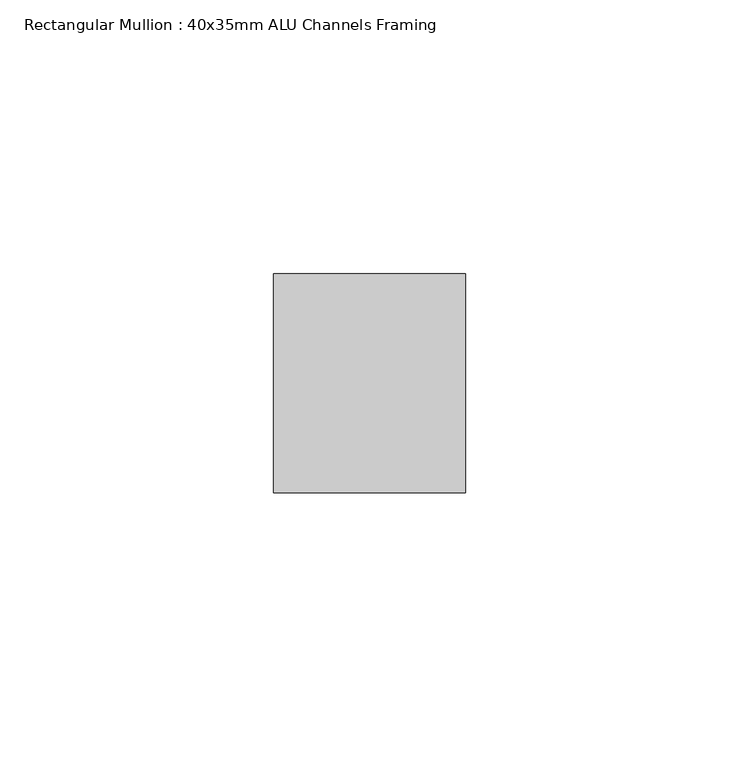
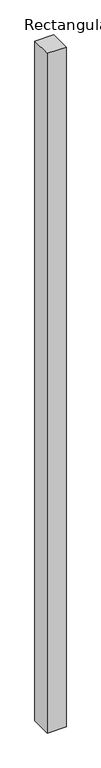
"""IFC4 building model written with IfcOpenShell, lengths in millimetres: member geometry, Rectangular Mullion : 40x35mm ALU Channels Framing."""

import ifcopenshell
import ifcopenshell.guid

model = None  # the IFC model being written
_history = None  # IfcOwnerHistory: only IFC2X3 demands one
_inside = {}  # id of a spatial element -> (the spatial element, [elements in it])
_under = {}  # id of a project, library or spatial element -> (it, [spatial elements below it])
_declared = {}  # id of a project -> (the project, [libraries it declares])
_typed = {}  # id of a type object -> (the type object, [elements of that type])
_made_of = {}  # id of a material, layer set ... -> (it, [elements and type objects made of it])


def new_model(schema):
    """Start an empty IFC model of exactly this schema.

    Asked for "IFC4X3", IfcOpenShell would pick the latest addendum, in which some entities
    have other attributes; the version numbers below select the first issue.
    IFC2X3 requires an IfcOwnerHistory on every rooted entity: one is made here for all.
    """
    global model, _history
    if schema == "IFC4X3":
        model = ifcopenshell.file(schema_version=(4, 3, 0, 0))
    else:
        model = ifcopenshell.file(schema=schema)
    _inside.clear()
    _under.clear()
    _declared.clear()
    _typed.clear()
    _made_of.clear()
    _history = None
    if model.schema == "IFC2X3":
        org = make("IfcOrganization", Name="unknown")
        user = make(
            "IfcPersonAndOrganization",
            ThePerson=make("IfcPerson", FamilyName="unknown"),
            TheOrganization=org,
        )
        app = make(
            "IfcApplication",
            ApplicationDeveloper=org,
            Version="unknown",
            ApplicationFullName="unknown",
            ApplicationIdentifier="unknown",
        )
        _history = make(
            "IfcOwnerHistory",
            OwningUser=user,
            OwningApplication=app,
            ChangeAction="ADDED",
            CreationDate=0,
        )
    return model


def make(cls, **values):
    """One entity of the class cls with the attributes given. An attribute that is None is left unset."""
    return model.create_entity(
        cls, **{name: value for name, value in values.items() if value is not None}
    )


def rooted(cls, **values):
    """An entity with a GlobalId (a new one), such as an element, a storey or a relation."""
    return make(cls, GlobalId=ifcopenshell.guid.new(), OwnerHistory=_history, **values)


def si_unit(unit_type, name, prefix=None):
    """IfcSIUnit, for example si_unit("LENGTHUNIT", "METRE", prefix="MILLI")."""
    return make("IfcSIUnit", UnitType=unit_type, Prefix=prefix, Name=name)


def assignment(units):
    """IfcUnitAssignment: the units of a project."""
    return None if units is None else make("IfcUnitAssignment", Units=units)


def point(xyz):
    """IfcCartesianPoint."""
    return None if xyz is None else make("IfcCartesianPoint", Coordinates=xyz)


def direction(xyz):
    """IfcDirection."""
    return None if xyz is None else make("IfcDirection", DirectionRatios=xyz)


def frame(location, z_axis=None, x_axis=None):
    """IfcAxis2Placement3D, a coordinate frame: its origin and axes. An axis left out is left unset."""
    return make(
        "IfcAxis2Placement3D",
        Location=point(location),
        Axis=direction(z_axis),
        RefDirection=direction(x_axis),
    )


def origin():
    """The frame at (0, 0, 0) with its axes left unset."""
    return frame((0.0, 0.0, 0.0))


def place(relative_to, where):
    """IfcLocalPlacement: puts the frame where relative to a parent placement (None: the world)."""
    return make(
        "IfcLocalPlacement", PlacementRelTo=relative_to, RelativePlacement=where
    )


def context(
    kind, dimensions, precision=None, world=None, true_north=None, identifier=None
):
    """IfcGeometricRepresentationContext, for example the 3D "Model" context."""
    return make(
        "IfcGeometricRepresentationContext",
        ContextIdentifier=identifier,
        ContextType=kind,
        CoordinateSpaceDimension=dimensions,
        Precision=precision,
        WorldCoordinateSystem=world,
        TrueNorth=true_north,
    )


def project(units=None, contexts=None):
    """IfcProject with its units and contexts."""
    return rooted(
        "IfcProject",
        Name="project",
        RepresentationContexts=contexts,
        UnitsInContext=assignment(units),
    )


def spatial(cls, under=None, at=None, **own):
    """A site, building, storey or space (cls), placed at a placement, below another one or the project."""
    s = rooted(cls, ObjectPlacement=at, **own)
    if under is not None:
        _under.setdefault(under.id(), (under, []))[1].append(s)
    return s


def polyline(points):
    """IfcPolyline through the points."""
    return make("IfcPolyline", Points=[point(p) for p in points])


def outline(outer, holes=None, kind="AREA"):
    """IfcArbitraryClosedProfileDef: a profile drawn as a closed curve; with holes, ...WithVoids."""
    if holes is None:
        return make("IfcArbitraryClosedProfileDef", ProfileType=kind, OuterCurve=outer)
    return make(
        "IfcArbitraryProfileDefWithVoids",
        ProfileType=kind,
        OuterCurve=outer,
        InnerCurves=holes,
    )


def extrude(swept, where, along, depth):
    """IfcExtrudedAreaSolid: the profile swept, set in the frame where, extruded along a direction by depth."""
    return make(
        "IfcExtrudedAreaSolid",
        SweptArea=swept,
        Position=where,
        ExtrudedDirection=direction(along),
        Depth=depth,
    )


def shape(context_of_items, identifier, shape_type, items):
    """IfcShapeRepresentation: the items that make up one representation, for example the "Body"."""
    return make(
        "IfcShapeRepresentation",
        ContextOfItems=context_of_items,
        RepresentationIdentifier=identifier,
        RepresentationType=shape_type,
        Items=items,
    )


def source(mapping_origin, context_of_items, identifier, shape_type, items):
    """IfcRepresentationMap: a shape defined once, which mapped items show again and again."""
    return make(
        "IfcRepresentationMap",
        MappingOrigin=mapping_origin,
        MappedRepresentation=shape(context_of_items, identifier, shape_type, items),
    )


def transform(
    local_origin,
    x_axis=None,
    y_axis=None,
    z_axis=None,
    scale=None,
    scale2=None,
    scale3=None,
    uniform=True,
):
    """IfcCartesianTransformationOperator3D, or its non-uniform kind. x_axis, y_axis, z_axis: its Axis1, 2, 3."""
    if uniform:
        return make(
            "IfcCartesianTransformationOperator3D",
            Axis1=direction(x_axis),
            Axis2=direction(y_axis),
            LocalOrigin=point(local_origin),
            Scale=scale,
            Axis3=direction(z_axis),
        )
    return make(
        "IfcCartesianTransformationOperator3DnonUniform",
        Axis1=direction(x_axis),
        Axis2=direction(y_axis),
        LocalOrigin=point(local_origin),
        Scale=scale,
        Axis3=direction(z_axis),
        Scale2=scale2,
        Scale3=scale3,
    )


def mapped(mapping_source, mapping_target):
    """IfcMappedItem: shows the shape of a source again, moved by a transform."""
    return make(
        "IfcMappedItem", MappingSource=mapping_source, MappingTarget=mapping_target
    )


def made_of(thing, what):
    """Note that an element or type object is made of a material, layer set ...; save() writes the relation."""
    if what is not None:
        _made_of.setdefault(what.id(), (what, []))[1].append(thing)
    return thing


def element(
    cls,
    number,
    at=None,
    inside=None,
    cuts=None,
    type_object=None,
    material=None,
    context=None,
    identifier="Body",
    shape_type=None,
    held_by="IfcProductDefinitionShape",
    body=None,
    shapes=None,
    **own,
):
    """One element of the class cls, such as IfcWall. Its Tag is "e" and its number.

    at: its placement. inside: the storey or other place that contains it. cuts: it is an
    opening in that element (IfcRelVoidsElement). A single representation is given by context,
    identifier, shape_type and body (its items); several are given by shapes. held_by: the class
    of the entity that holds the representations. save() writes the other relations.
    """
    e = rooted(cls, Tag="e%d" % number, ObjectPlacement=at, **own)
    if body is not None:
        shapes = [shape(context, identifier, shape_type, body)]
    if shapes is not None:
        e.Representation = make(held_by, Representations=shapes)
    if inside is not None:
        _inside.setdefault(inside.id(), (inside, []))[1].append(e)
    if cuts is not None:
        rooted(
            "IfcRelVoidsElement", RelatingBuildingElement=cuts, RelatedOpeningElement=e
        )
    if type_object is not None:
        _typed.setdefault(type_object.id(), (type_object, []))[1].append(e)
    return made_of(e, material)


def aggregate(whole, parts):
    """IfcRelAggregates: a whole, such as a stair, and the parts it consists of."""
    return rooted("IfcRelAggregates", RelatingObject=whole, RelatedObjects=parts)


def save(model, path):
    """Write the relations noted so far, then the file.

    IfcRelAggregates (storeys below a building ...), IfcRelContainedInSpatialStructure (elements
    in a storey), IfcRelDefinesByType, IfcRelAssociatesMaterial and IfcRelDeclares: one each for
    every whole, place, type object, material and project.
    """
    for whole, parts in _under.values():
        aggregate(whole, parts)
    for where, things in _inside.values():
        rooted(
            "IfcRelContainedInSpatialStructure",
            RelatedElements=things,
            RelatingStructure=where,
        )
    for kind, things in _typed.values():
        rooted("IfcRelDefinesByType", RelatedObjects=things, RelatingType=kind)
    for what, things in _made_of.values():
        rooted("IfcRelAssociatesMaterial", RelatedObjects=things, RelatingMaterial=what)
    for by, libraries in _declared.values():
        rooted("IfcRelDeclares", RelatingContext=by, RelatedDefinitions=libraries)
    model.write(path)


def rectangular_mullion_40x35mm_alu_channels_framing_87624595(model_context):
    return source(origin(), model_context, "Body", "SweptSolid", [
        extrude(outline(polyline([(0.0, 20.0), (0.0, -20.0), (-35.0, -20.0), (-35.0, 20.0), (0.0, 20.0)])), frame((0.0, 0.0, -1340.0), z_axis=(0.0, 0.0, 1.0), x_axis=(1.0, 0.0, 0.0)), (0.0, 0.0, 1.0), 1340.0),
    ])


if __name__ == "__main__":
    model = new_model("IFC4")
    model_context = context("Model", 3, world=origin())
    ifc_project = project(units=[si_unit("LENGTHUNIT", "METRE", prefix="MILLI")], contexts=[model_context])
    site = spatial("IfcSite", under=ifc_project)
    building = spatial("IfcBuilding", under=site)
    placement = place(None, origin())
    rectangular_mullion_40x35mm_alu_channels_framing_shape = rectangular_mullion_40x35mm_alu_channels_framing_87624595(model_context)
    element("IfcMember", 1, ObjectType="Rectangular Mullion : 40x35mm ALU Channels Framing", at=placement, inside=building, context=model_context, shape_type="MappedRepresentation", body=[
        mapped(rectangular_mullion_40x35mm_alu_channels_framing_shape, transform((0.0, 0.0, 0.0), x_axis=(1.0, 0.0, 0.0), y_axis=(0.0, 1.0, 0.0), z_axis=(0.0, 0.0, 1.0))),
    ])
    save(model, "model.ifc")
